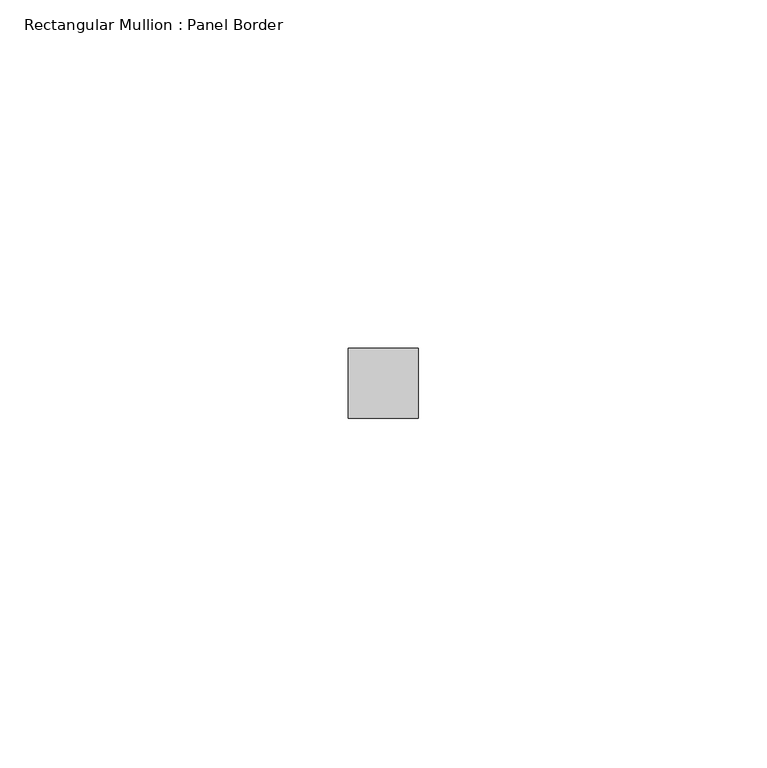
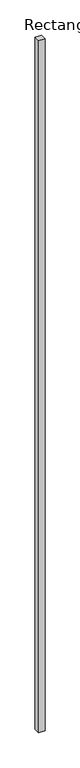
"""IFC4 building model written with IfcOpenShell, lengths in millimetres: member geometry, Rectangular Mullion : Panel Border."""

from ifc_helpers import new_model, si_unit, frame, origin, place, context, project, spatial, polyline, outline, extrude, source, transform, mapped, element, save


def rectangular_mullion_panel_border_e3e30d6a(model_context):
    return source(origin(), model_context, "Body", "SweptSolid", [
        extrude(outline(polyline([(5.0, 5.5), (5.0, -4.5), (-5.0, -4.5), (-5.0, 5.5), (5.0, 5.5)])), frame((0.0, 0.0, -1192.5), z_axis=(0.0, 0.0, 1.0), x_axis=(1.0, 0.0, 0.0)), (0.0, 0.0, 1.0), 1192.5),
    ])


if __name__ == "__main__":
    model = new_model("IFC4")
    model_context = context("Model", 3, world=origin())
    ifc_project = project(units=[si_unit("LENGTHUNIT", "METRE", prefix="MILLI")], contexts=[model_context])
    site = spatial("IfcSite", under=ifc_project)
    building = spatial("IfcBuilding", under=site)
    placement = place(None, origin())
    rectangular_mullion_panel_border_shape = rectangular_mullion_panel_border_e3e30d6a(model_context)
    element("IfcMember", 1, ObjectType="Rectangular Mullion : Panel Border", at=placement, inside=building, context=model_context, shape_type="MappedRepresentation", body=[
        mapped(rectangular_mullion_panel_border_shape, transform((0.0, 0.0, 0.0), x_axis=(1.0, 0.0, 0.0), y_axis=(0.0, 1.0, 0.0), z_axis=(0.0, 0.0, 1.0))),
    ])
    save(model, "model.ifc")
